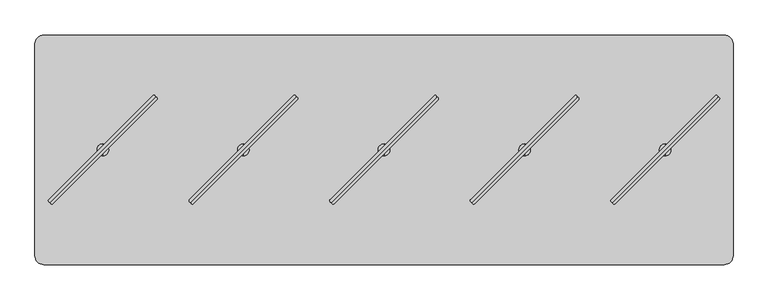
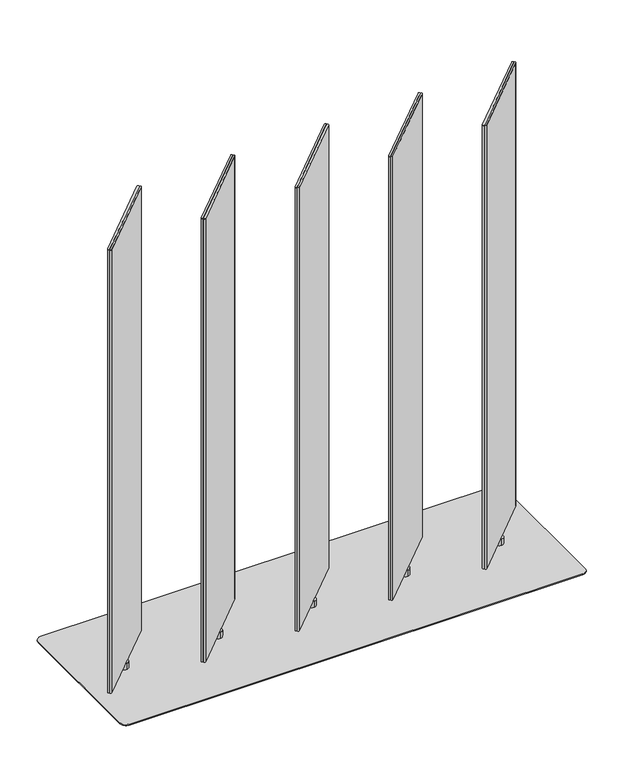
"""IFC4 building model written with IfcOpenShell, lengths in millimetres: furniture geometry."""

from ifc_helpers import new_model, si_unit, point, frame, frame_2d, origin, origin_with_axes, place, context, project, spatial, polyline, circle_curve, trimmed, segment, composite_curve, outline, extrude, source, transform, mapped, element, save
from ifc_brep_helpers import plane_surface, cylinder_surface, advanced_brep


def furniture_45bbadb2(model_context):
    return source(origin(), model_context, "Body", "SolidModel", [
        extrude(outline(composite_curve([segment(trimmed(circle_curve(frame_2d((486.9461154, -180.9165485)), 3.0144975), [point((489.0781344, -183.0476726))], [point((484.81456, -178.7849606))], False, "CARTESIAN"), True, "CONTINUOUS"), segment(polyline([(484.81456, -178.7849606), (706.8263161, 43.2234083)]), True, "CONTINUOUS"), segment(trimmed(circle_curve(frame_2d((708.8820345, 41.0642596)), 2.9812584), [point((706.8263161, 43.2234083))], [point((711.0420147, 39.0094149))], False, "CARTESIAN"), True, "CONTINUOUS"), segment(polyline([(711.0420147, 39.0094149), (489.0781344, -183.0476726)]), True, "CONTINUOUS")], self_intersect=False)), frame((0.0, 0.0, 44.4119983), z_axis=(0.0, 0.0, 1.0), x_axis=(1.0, 0.0, 0.0)), (0.0, 0.0, 1.0), 1500.124),
        extrude(outline(composite_curve([segment(polyline([(489.0388267, -183.0083649), (711.0959142, 38.9555155)]), True, "CONTINUOUS"), segment(trimmed(circle_curve(frame_2d((713.1507589, 36.7955352)), 2.9812584), [point((711.0959142, 38.9555155))], [point((715.3099076, 34.7398168))], False, "CARTESIAN"), True, "CONTINUOUS"), segment(polyline([(715.3099076, 34.7398168), (493.3015387, -187.2719392)]), True, "CONTINUOUS"), segment(trimmed(circle_curve(frame_2d((491.1699508, -185.1403839)), 3.0144975), [point((493.3015387, -187.2719392))], [point((489.0388267, -183.0083649))], False, "CARTESIAN"), True, "CONTINUOUS")], self_intersect=False)), frame((0.0, 0.0, 44.4119983), z_axis=(0.0, 0.0, 1.0), x_axis=(1.0, 0.0, 0.0)), (0.0, 0.0, 1.0), 1500.124),
        advanced_brep(
        [(599.9988, -84.5709522, 44.4119983), (599.9988, -59.5748171, 44.4119983), (599.9988, -59.5748171, 23.6755986), (599.9988, -84.5709522, 23.6755986), (599.9988, -72.0728847, 44.4119983), (599.9988, -72.0728847, 23.6755986)],
        [
            (0, 1, circle_curve(frame((599.9988, -72.0728847, 44.4119983), z_axis=(0.0, 0.0, -1.0), x_axis=(0.0, 1.0, 0.0)), 12.4980675)),
            (1, 2),
            (2, 3, circle_curve(frame((599.9988, -72.0728847, 23.6755986), z_axis=(0.0, 0.0, 1.0), x_axis=(0.0, 1.0, 0.0)), 12.4980675)),
            (3, 0),
            (4, 1),
            (0, 4),
            (0, 1, circle_curve(frame((599.9988, -72.0728847, 44.4119983), z_axis=(0.0, 0.0, 1.0), x_axis=(0.0, 1.0, 0.0)), 12.4980675)),
            (2, 5),
            (5, 3),
            (2, 3, circle_curve(frame((599.9988, -72.0728847, 23.6755986), z_axis=(0.0, 0.0, -1.0), x_axis=(0.0, 1.0, 0.0)), 12.4980675)),
        ],
        [
            cylinder_surface(frame((599.9988, -72.0728847, 51.9527758), z_axis=(0.0, 0.0, 1.0), x_axis=(0.0, 1.0, 0.0)), 12.4980675),
            plane_surface(frame((599.9988, -72.0728847, 44.4119983), z_axis=(0.0, 0.0, 1.0), x_axis=(0.0, 1.0, 0.0))),
            plane_surface(frame((599.9988, -72.0728847, 23.6755986), z_axis=(0.0, 0.0, -1.0), x_axis=(0.0, 1.0, 0.0))),
        ],
        [
            (0, [[1, 2, 3, 4]]),
            (1, [[5, -1, 6]]),
            (1, [[-6, 7, -5]]),
            (2, [[-3, 8, 9]]),
            (2, [[10, -9, -8]]),
            (0, [[-7, -4, -10, -2]]),
        ],
    ),
        extrude(outline(composite_curve([segment(trimmed(circle_curve(frame_2d((186.9467154, -180.9165485)), 3.0144975), [point((189.0787344, -183.0476726))], [point((184.81516, -178.7849606))], False, "CARTESIAN"), True, "CONTINUOUS"), segment(polyline([(184.81516, -178.7849606), (406.8269161, 43.2234083)]), True, "CONTINUOUS"), segment(trimmed(circle_curve(frame_2d((408.8826345, 41.0642596)), 2.9812584), [point((406.8269161, 43.2234083))], [point((411.0426147, 39.0094149))], False, "CARTESIAN"), True, "CONTINUOUS"), segment(polyline([(411.0426147, 39.0094149), (189.0787344, -183.0476726)]), True, "CONTINUOUS")], self_intersect=False)), frame((0.0, 0.0, 44.4119983), z_axis=(0.0, 0.0, 1.0), x_axis=(1.0, 0.0, 0.0)), (0.0, 0.0, 1.0), 1500.124),
        extrude(outline(composite_curve([segment(polyline([(189.0394267, -183.0083649), (411.0965142, 38.9555155)]), True, "CONTINUOUS"), segment(trimmed(circle_curve(frame_2d((413.1513589, 36.7955352)), 2.9812584), [point((411.0965142, 38.9555155))], [point((415.3105076, 34.7398168))], False, "CARTESIAN"), True, "CONTINUOUS"), segment(polyline([(415.3105076, 34.7398168), (193.3021387, -187.2719392)]), True, "CONTINUOUS"), segment(trimmed(circle_curve(frame_2d((191.1705508, -185.1403839)), 3.0144975), [point((193.3021387, -187.2719392))], [point((189.0394267, -183.0083649))], False, "CARTESIAN"), True, "CONTINUOUS")], self_intersect=False)), frame((0.0, 0.0, 44.4119983), z_axis=(0.0, 0.0, 1.0), x_axis=(1.0, 0.0, 0.0)), (0.0, 0.0, 1.0), 1500.124),
        advanced_brep(
        [(299.9994, -84.5709522, 44.4119983), (299.9994, -59.5748171, 44.4119983), (299.9994, -59.5748171, 23.6755986), (299.9994, -84.5709522, 23.6755986), (299.9994, -72.0728847, 44.4119983), (299.9994, -72.0728847, 23.6755986)],
        [
            (0, 1, circle_curve(frame((299.9994, -72.0728847, 44.4119983), z_axis=(0.0, 0.0, -1.0), x_axis=(0.0, 1.0, 0.0)), 12.4980675)),
            (1, 2),
            (2, 3, circle_curve(frame((299.9994, -72.0728847, 23.6755986), z_axis=(0.0, 0.0, 1.0), x_axis=(0.0, 1.0, 0.0)), 12.4980675)),
            (3, 0),
            (4, 1),
            (0, 4),
            (0, 1, circle_curve(frame((299.9994, -72.0728847, 44.4119983), z_axis=(0.0, 0.0, 1.0), x_axis=(0.0, 1.0, 0.0)), 12.4980675)),
            (2, 5),
            (5, 3),
            (2, 3, circle_curve(frame((299.9994, -72.0728847, 23.6755986), z_axis=(0.0, 0.0, -1.0), x_axis=(0.0, 1.0, 0.0)), 12.4980675)),
        ],
        [
            cylinder_surface(frame((299.9994, -72.0728847, 51.9527758), z_axis=(0.0, 0.0, 1.0), x_axis=(0.0, 1.0, 0.0)), 12.4980675),
            plane_surface(frame((299.9994, -72.0728847, 44.4119983), z_axis=(0.0, 0.0, 1.0), x_axis=(0.0, 1.0, 0.0))),
            plane_surface(frame((299.9994, -72.0728847, 23.6755986), z_axis=(0.0, 0.0, -1.0), x_axis=(0.0, 1.0, 0.0))),
        ],
        [
            (0, [[1, 2, 3, 4]]),
            (1, [[5, -1, 6]]),
            (1, [[-6, 7, -5]]),
            (2, [[-3, 8, 9]]),
            (2, [[10, -9, -8]]),
            (0, [[-7, -4, -10, -2]]),
        ],
    ),
        extrude(outline(composite_curve([segment(trimmed(circle_curve(frame_2d((-113.0526846, -180.9165485)), 3.0144975), [point((-110.9206656, -183.0476726))], [point((-115.18424, -178.7849606))], False, "CARTESIAN"), True, "CONTINUOUS"), segment(polyline([(-115.18424, -178.7849606), (106.8275161, 43.2234083)]), True, "CONTINUOUS"), segment(trimmed(circle_curve(frame_2d((108.8832345, 41.0642596)), 2.9812584), [point((106.8275161, 43.2234083))], [point((111.0432147, 39.0094149))], False, "CARTESIAN"), True, "CONTINUOUS"), segment(polyline([(111.0432147, 39.0094149), (-110.9206656, -183.0476726)]), True, "CONTINUOUS")], self_intersect=False)), frame((0.0, 0.0, 44.4119983), z_axis=(0.0, 0.0, 1.0), x_axis=(1.0, 0.0, 0.0)), (0.0, 0.0, 1.0), 1500.124),
        extrude(outline(composite_curve([segment(polyline([(-110.9599733, -183.0083649), (111.0971142, 38.9555155)]), True, "CONTINUOUS"), segment(trimmed(circle_curve(frame_2d((113.1519589, 36.7955352)), 2.9812584), [point((111.0971142, 38.9555155))], [point((115.3111076, 34.7398168))], False, "CARTESIAN"), True, "CONTINUOUS"), segment(polyline([(115.3111076, 34.7398168), (-106.6972613, -187.2719392)]), True, "CONTINUOUS"), segment(trimmed(circle_curve(frame_2d((-108.8288492, -185.1403839)), 3.0144975), [point((-106.6972613, -187.2719392))], [point((-110.9599733, -183.0083649))], False, "CARTESIAN"), True, "CONTINUOUS")], self_intersect=False)), frame((0.0, 0.0, 44.4119983), z_axis=(0.0, 0.0, 1.0), x_axis=(1.0, 0.0, 0.0)), (0.0, 0.0, 1.0), 1500.124),
        advanced_brep(
        [(0.0, -84.5709522, 44.4119983), (0.0, -59.5748171, 44.4119983), (0.0, -59.5748171, 23.6755986), (0.0, -84.5709522, 23.6755986), (0.0, -72.0728847, 44.4119983), (0.0, -72.0728847, 23.6755986)],
        [
            (0, 1, circle_curve(frame((0.0, -72.0728847, 44.4119983), z_axis=(0.0, 0.0, -1.0), x_axis=(0.0, 1.0, 0.0)), 12.4980675)),
            (1, 2),
            (2, 3, circle_curve(frame((0.0, -72.0728847, 23.6755986), z_axis=(0.0, 0.0, 1.0), x_axis=(0.0, 1.0, 0.0)), 12.4980675)),
            (3, 0),
            (4, 1),
            (0, 4),
            (0, 1, circle_curve(frame((0.0, -72.0728847, 44.4119983), z_axis=(0.0, 0.0, 1.0), x_axis=(0.0, 1.0, 0.0)), 12.4980675)),
            (2, 5),
            (5, 3),
            (2, 3, circle_curve(frame((0.0, -72.0728847, 23.6755986), z_axis=(0.0, 0.0, -1.0), x_axis=(0.0, 1.0, 0.0)), 12.4980675)),
        ],
        [
            cylinder_surface(frame((0.0, -72.0728847, 51.9527758), z_axis=(0.0, 0.0, 1.0), x_axis=(0.0, 1.0, 0.0)), 12.4980675),
            plane_surface(frame((0.0, -72.0728847, 44.4119983), z_axis=(0.0, 0.0, 1.0), x_axis=(0.0, 1.0, 0.0))),
            plane_surface(frame((0.0, -72.0728847, 23.6755986), z_axis=(0.0, 0.0, -1.0), x_axis=(0.0, 1.0, 0.0))),
        ],
        [
            (0, [[1, 2, 3, 4]]),
            (1, [[5, -1, 6]]),
            (1, [[-6, 7, -5]]),
            (2, [[-3, 8, 9]]),
            (2, [[10, -9, -8]]),
            (0, [[-7, -4, -10, -2]]),
        ],
    ),
        extrude(outline(composite_curve([segment(trimmed(circle_curve(frame_2d((-413.0520846, -180.9165485)), 3.0144975), [point((-410.9200656, -183.0476726))], [point((-415.18364, -178.7849606))], False, "CARTESIAN"), True, "CONTINUOUS"), segment(polyline([(-415.18364, -178.7849606), (-193.1718839, 43.2234083)]), True, "CONTINUOUS"), segment(trimmed(circle_curve(frame_2d((-191.1161655, 41.0642596)), 2.9812584), [point((-193.1718839, 43.2234083))], [point((-188.9561853, 39.0094149))], False, "CARTESIAN"), True, "CONTINUOUS"), segment(polyline([(-188.9561853, 39.0094149), (-410.9200656, -183.0476726)]), True, "CONTINUOUS")], self_intersect=False)), frame((0.0, 0.0, 44.4119983), z_axis=(0.0, 0.0, 1.0), x_axis=(1.0, 0.0, 0.0)), (0.0, 0.0, 1.0), 1500.124),
        extrude(outline(composite_curve([segment(polyline([(-410.9593733, -183.0083649), (-188.9022858, 38.9555155)]), True, "CONTINUOUS"), segment(trimmed(circle_curve(frame_2d((-186.8474411, 36.7955352)), 2.9812584), [point((-188.9022858, 38.9555155))], [point((-184.6882924, 34.7398168))], False, "CARTESIAN"), True, "CONTINUOUS"), segment(polyline([(-184.6882924, 34.7398168), (-406.6966613, -187.2719392)]), True, "CONTINUOUS"), segment(trimmed(circle_curve(frame_2d((-408.8282492, -185.1403839)), 3.0144975), [point((-406.6966613, -187.2719392))], [point((-410.9593733, -183.0083649))], False, "CARTESIAN"), True, "CONTINUOUS")], self_intersect=False)), frame((0.0, 0.0, 44.4119983), z_axis=(0.0, 0.0, 1.0), x_axis=(1.0, 0.0, 0.0)), (0.0, 0.0, 1.0), 1500.124),
        advanced_brep(
        [(-299.9994, -84.5709522, 44.4119983), (-299.9994, -59.5748171, 44.4119983), (-299.9994, -59.5748171, 23.6755986), (-299.9994, -84.5709522, 23.6755986), (-299.9994, -72.0728847, 44.4119983), (-299.9994, -72.0728847, 23.6755986)],
        [
            (0, 1, circle_curve(frame((-299.9994, -72.0728847, 44.4119983), z_axis=(0.0, 0.0, -1.0), x_axis=(0.0, 1.0, 0.0)), 12.4980675)),
            (1, 2),
            (2, 3, circle_curve(frame((-299.9994, -72.0728847, 23.6755986), z_axis=(0.0, 0.0, 1.0), x_axis=(0.0, 1.0, 0.0)), 12.4980675)),
            (3, 0),
            (4, 1),
            (0, 4),
            (0, 1, circle_curve(frame((-299.9994, -72.0728847, 44.4119983), z_axis=(0.0, 0.0, 1.0), x_axis=(0.0, 1.0, 0.0)), 12.4980675)),
            (2, 5),
            (5, 3),
            (2, 3, circle_curve(frame((-299.9994, -72.0728847, 23.6755986), z_axis=(0.0, 0.0, -1.0), x_axis=(0.0, 1.0, 0.0)), 12.4980675)),
        ],
        [
            cylinder_surface(frame((-299.9994, -72.0728847, 51.9527758), z_axis=(0.0, 0.0, 1.0), x_axis=(0.0, 1.0, 0.0)), 12.4980675),
            plane_surface(frame((-299.9994, -72.0728847, 44.4119983), z_axis=(0.0, 0.0, 1.0), x_axis=(0.0, 1.0, 0.0))),
            plane_surface(frame((-299.9994, -72.0728847, 23.6755986), z_axis=(0.0, 0.0, -1.0), x_axis=(0.0, 1.0, 0.0))),
        ],
        [
            (0, [[1, 2, 3, 4]]),
            (1, [[5, -1, 6]]),
            (1, [[-6, 7, -5]]),
            (2, [[-3, 8, 9]]),
            (2, [[10, -9, -8]]),
            (0, [[-7, -4, -10, -2]]),
        ],
    ),
        extrude(outline(composite_curve([segment(trimmed(circle_curve(frame_2d((-713.0514846, -180.9165485)), 3.0144975), [point((-710.9194656, -183.0476726))], [point((-715.18304, -178.7849606))], False, "CARTESIAN"), True, "CONTINUOUS"), segment(polyline([(-715.18304, -178.7849606), (-493.1712839, 43.2234083)]), True, "CONTINUOUS"), segment(trimmed(circle_curve(frame_2d((-491.1155655, 41.0642596)), 2.9812584), [point((-493.1712839, 43.2234083))], [point((-488.9555853, 39.0094149))], False, "CARTESIAN"), True, "CONTINUOUS"), segment(polyline([(-488.9555853, 39.0094149), (-710.9194656, -183.0476726)]), True, "CONTINUOUS")], self_intersect=False)), frame((0.0, 0.0, 44.4119983), z_axis=(0.0, 0.0, 1.0), x_axis=(1.0, 0.0, 0.0)), (0.0, 0.0, 1.0), 1500.124),
        extrude(outline(composite_curve([segment(polyline([(-710.9587733, -183.0083649), (-488.9016858, 38.9555155)]), True, "CONTINUOUS"), segment(trimmed(circle_curve(frame_2d((-486.8468411, 36.7955352)), 2.9812584), [point((-488.9016858, 38.9555155))], [point((-484.6876924, 34.7398168))], False, "CARTESIAN"), True, "CONTINUOUS"), segment(polyline([(-484.6876924, 34.7398168), (-706.6960613, -187.2719392)]), True, "CONTINUOUS"), segment(trimmed(circle_curve(frame_2d((-708.8276492, -185.1403839)), 3.0144975), [point((-706.6960613, -187.2719392))], [point((-710.9587733, -183.0083649))], False, "CARTESIAN"), True, "CONTINUOUS")], self_intersect=False)), frame((0.0, 0.0, 44.4119983), z_axis=(0.0, 0.0, 1.0), x_axis=(1.0, 0.0, 0.0)), (0.0, 0.0, 1.0), 1500.124),
        advanced_brep(
        [(-599.9988, -84.5709522, 44.4119983), (-599.9988, -59.5748171, 44.4119983), (-599.9988, -59.5748171, 23.6755986), (-599.9988, -84.5709522, 23.6755986), (-599.9988, -72.0728847, 44.4119983), (-599.9988, -72.0728847, 23.6755986)],
        [
            (0, 1, circle_curve(frame((-599.9988, -72.0728847, 44.4119983), z_axis=(0.0, 0.0, -1.0), x_axis=(0.0, 1.0, 0.0)), 12.4980675)),
            (1, 2),
            (2, 3, circle_curve(frame((-599.9988, -72.0728847, 23.6755986), z_axis=(0.0, 0.0, 1.0), x_axis=(0.0, 1.0, 0.0)), 12.4980675)),
            (3, 0),
            (4, 1),
            (0, 4),
            (0, 1, circle_curve(frame((-599.9988, -72.0728847, 44.4119983), z_axis=(0.0, 0.0, 1.0), x_axis=(0.0, 1.0, 0.0)), 12.4980675)),
            (2, 5),
            (5, 3),
            (2, 3, circle_curve(frame((-599.9988, -72.0728847, 23.6755986), z_axis=(0.0, 0.0, -1.0), x_axis=(0.0, 1.0, 0.0)), 12.4980675)),
        ],
        [
            cylinder_surface(frame((-599.9988, -72.0728847, 51.9527758), z_axis=(0.0, 0.0, 1.0), x_axis=(0.0, 1.0, 0.0)), 12.4980675),
            plane_surface(frame((-599.9988, -72.0728847, 44.4119983), z_axis=(0.0, 0.0, 1.0), x_axis=(0.0, 1.0, 0.0))),
            plane_surface(frame((-599.9988, -72.0728847, 23.6755986), z_axis=(0.0, 0.0, -1.0), x_axis=(0.0, 1.0, 0.0))),
        ],
        [
            (0, [[1, 2, 3, 4]]),
            (1, [[5, -1, 6]]),
            (1, [[-6, 7, -5]]),
            (2, [[-3, 8, 9]]),
            (2, [[10, -9, -8]]),
            (0, [[-7, -4, -10, -2]]),
        ],
    ),
        extrude(outline(composite_curve([segment(polyline([(-695.7695, 142.9271143), (695.7695, 142.9271143)]), True, "CONTINUOUS"), segment(trimmed(circle_curve(frame_2d((695.7695, 123.8771143)), 19.05), [point((695.7695, 142.9271143))], [point((714.8195, 123.8771143))], False, "CARTESIAN"), True, "CONTINUOUS"), segment(polyline([(714.8195, 123.8771143), (714.8195, -268.0228972)]), True, "CONTINUOUS"), segment(trimmed(circle_curve(frame_2d((695.7695, -268.0228972)), 19.05), [point((714.8195, -268.0228972))], [point((695.7695, -287.0728972))], False, "CARTESIAN"), True, "CONTINUOUS"), segment(polyline([(695.7695, -287.0728972), (-695.7695, -287.0728972)]), True, "CONTINUOUS"), segment(trimmed(circle_curve(frame_2d((-695.7695, -268.0228972)), 19.05), [point((-695.7695, -287.0728972))], [point((-714.8195, -268.0228972))], False, "CARTESIAN"), True, "CONTINUOUS"), segment(polyline([(-714.8195, -268.0228972), (-714.8195, 123.8771143)]), True, "CONTINUOUS"), segment(trimmed(circle_curve(frame_2d((-695.7695, 123.8771143)), 19.05), [point((-714.8195, 123.8771143))], [point((-695.7695, 142.9271143))], False, "CARTESIAN"), True, "CONTINUOUS")], self_intersect=False)), origin_with_axes(), (0.0, 0.0, 1.0), 20.6756),
        extrude(outline(composite_curve([segment(trimmed(circle_curve(frame_2d((725.932, 153.8601153)), 19.05), [point((725.932, 172.9101153))], [point((744.982, 153.8601153))], False, "CARTESIAN"), True, "CONTINUOUS"), segment(polyline([(744.982, 153.8601153), (744.982, -298.0058847)]), True, "CONTINUOUS"), segment(trimmed(circle_curve(frame_2d((725.932, -298.0058847)), 19.05), [point((744.982, -298.0058847))], [point((725.932, -317.0558847))], False, "CARTESIAN"), True, "CONTINUOUS"), segment(polyline([(725.932, -317.0558847), (-725.932, -317.0558847)]), True, "CONTINUOUS"), segment(trimmed(circle_curve(frame_2d((-725.932, -298.0058847)), 19.05), [point((-725.932, -317.0558847))], [point((-744.982, -298.0058847))], False, "CARTESIAN"), True, "CONTINUOUS"), segment(polyline([(-744.982, -298.0058847), (-744.982, 153.8601153)]), True, "CONTINUOUS"), segment(trimmed(circle_curve(frame_2d((-725.932, 153.8601153)), 19.05), [point((-744.982, 153.8601153))], [point((-725.932, 172.9101153))], False, "CARTESIAN"), True, "CONTINUOUS"), segment(polyline([(-725.932, 172.9101153), (725.932, 172.9101153)]), True, "CONTINUOUS")], self_intersect=False)), frame((0.0, 0.0, 20.6756), z_axis=(0.0, 0.0, 1.0), x_axis=(1.0, 0.0, 0.0)), (0.0, 0.0, 1.0), 2.9999986),
    ])


if __name__ == "__main__":
    model = new_model("IFC4")
    model_context = context("Model", 3, world=origin())
    ifc_project = project(units=[si_unit("LENGTHUNIT", "METRE", prefix="MILLI")], contexts=[model_context])
    site = spatial("IfcSite", under=ifc_project)
    building = spatial("IfcBuilding", under=site)
    placement = place(None, origin())
    furniture_shape = furniture_45bbadb2(model_context)
    element("IfcFurniture", 1, at=placement, inside=building, context=model_context, shape_type="MappedRepresentation", body=[
        mapped(furniture_shape, transform((0.0, 0.0, 0.0), x_axis=(1.0, 0.0, 0.0), y_axis=(0.0, 1.0, 0.0), z_axis=(0.0, 0.0, 1.0))),
    ])
    save(model, "model.ifc")
